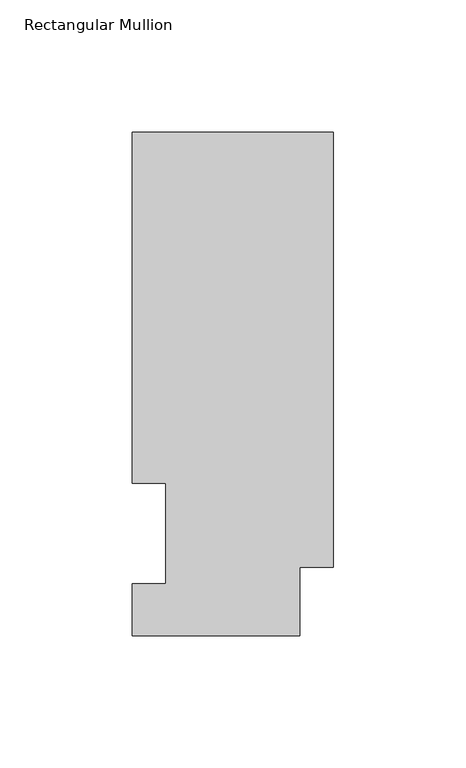
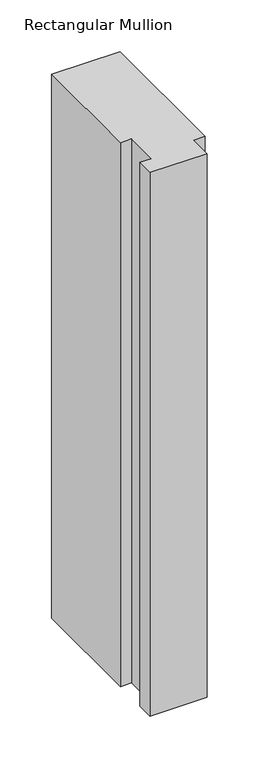
"""IFC4 building model written with IfcOpenShell, lengths in millimetres: member geometry, Rectangular Mullion."""

import ifcopenshell
import ifcopenshell.guid

model = None  # the IFC model being written
_history = None  # IfcOwnerHistory: only IFC2X3 demands one
_inside = {}  # id of a spatial element -> (the spatial element, [elements in it])
_under = {}  # id of a project, library or spatial element -> (it, [spatial elements below it])
_declared = {}  # id of a project -> (the project, [libraries it declares])
_typed = {}  # id of a type object -> (the type object, [elements of that type])
_made_of = {}  # id of a material, layer set ... -> (it, [elements and type objects made of it])


def new_model(schema):
    """Start an empty IFC model of exactly this schema.

    Asked for "IFC4X3", IfcOpenShell would pick the latest addendum, in which some entities
    have other attributes; the version numbers below select the first issue.
    IFC2X3 requires an IfcOwnerHistory on every rooted entity: one is made here for all.
    """
    global model, _history
    if schema == "IFC4X3":
        model = ifcopenshell.file(schema_version=(4, 3, 0, 0))
    else:
        model = ifcopenshell.file(schema=schema)
    _inside.clear()
    _under.clear()
    _declared.clear()
    _typed.clear()
    _made_of.clear()
    _history = None
    if model.schema == "IFC2X3":
        org = make("IfcOrganization", Name="unknown")
        user = make(
            "IfcPersonAndOrganization",
            ThePerson=make("IfcPerson", FamilyName="unknown"),
            TheOrganization=org,
        )
        app = make(
            "IfcApplication",
            ApplicationDeveloper=org,
            Version="unknown",
            ApplicationFullName="unknown",
            ApplicationIdentifier="unknown",
        )
        _history = make(
            "IfcOwnerHistory",
            OwningUser=user,
            OwningApplication=app,
            ChangeAction="ADDED",
            CreationDate=0,
        )
    return model


def make(cls, **values):
    """One entity of the class cls with the attributes given. An attribute that is None is left unset."""
    return model.create_entity(
        cls, **{name: value for name, value in values.items() if value is not None}
    )


def rooted(cls, **values):
    """An entity with a GlobalId (a new one), such as an element, a storey or a relation."""
    return make(cls, GlobalId=ifcopenshell.guid.new(), OwnerHistory=_history, **values)


def si_unit(unit_type, name, prefix=None):
    """IfcSIUnit, for example si_unit("LENGTHUNIT", "METRE", prefix="MILLI")."""
    return make("IfcSIUnit", UnitType=unit_type, Prefix=prefix, Name=name)


def assignment(units):
    """IfcUnitAssignment: the units of a project."""
    return None if units is None else make("IfcUnitAssignment", Units=units)


def point(xyz):
    """IfcCartesianPoint."""
    return None if xyz is None else make("IfcCartesianPoint", Coordinates=xyz)


def direction(xyz):
    """IfcDirection."""
    return None if xyz is None else make("IfcDirection", DirectionRatios=xyz)


def frame(location, z_axis=None, x_axis=None):
    """IfcAxis2Placement3D, a coordinate frame: its origin and axes. An axis left out is left unset."""
    return make(
        "IfcAxis2Placement3D",
        Location=point(location),
        Axis=direction(z_axis),
        RefDirection=direction(x_axis),
    )


def origin():
    """The frame at (0, 0, 0) with its axes left unset."""
    return frame((0.0, 0.0, 0.0))


def place(relative_to, where):
    """IfcLocalPlacement: puts the frame where relative to a parent placement (None: the world)."""
    return make(
        "IfcLocalPlacement", PlacementRelTo=relative_to, RelativePlacement=where
    )


def context(
    kind, dimensions, precision=None, world=None, true_north=None, identifier=None
):
    """IfcGeometricRepresentationContext, for example the 3D "Model" context."""
    return make(
        "IfcGeometricRepresentationContext",
        ContextIdentifier=identifier,
        ContextType=kind,
        CoordinateSpaceDimension=dimensions,
        Precision=precision,
        WorldCoordinateSystem=world,
        TrueNorth=true_north,
    )


def project(units=None, contexts=None):
    """IfcProject with its units and contexts."""
    return rooted(
        "IfcProject",
        Name="project",
        RepresentationContexts=contexts,
        UnitsInContext=assignment(units),
    )


def spatial(cls, under=None, at=None, **own):
    """A site, building, storey or space (cls), placed at a placement, below another one or the project."""
    s = rooted(cls, ObjectPlacement=at, **own)
    if under is not None:
        _under.setdefault(under.id(), (under, []))[1].append(s)
    return s


def polyline(points):
    """IfcPolyline through the points."""
    return make("IfcPolyline", Points=[point(p) for p in points])


def outline(outer, holes=None, kind="AREA"):
    """IfcArbitraryClosedProfileDef: a profile drawn as a closed curve; with holes, ...WithVoids."""
    if holes is None:
        return make("IfcArbitraryClosedProfileDef", ProfileType=kind, OuterCurve=outer)
    return make(
        "IfcArbitraryProfileDefWithVoids",
        ProfileType=kind,
        OuterCurve=outer,
        InnerCurves=holes,
    )


def extrude(swept, where, along, depth):
    """IfcExtrudedAreaSolid: the profile swept, set in the frame where, extruded along a direction by depth."""
    return make(
        "IfcExtrudedAreaSolid",
        SweptArea=swept,
        Position=where,
        ExtrudedDirection=direction(along),
        Depth=depth,
    )


def shape(context_of_items, identifier, shape_type, items):
    """IfcShapeRepresentation: the items that make up one representation, for example the "Body"."""
    return make(
        "IfcShapeRepresentation",
        ContextOfItems=context_of_items,
        RepresentationIdentifier=identifier,
        RepresentationType=shape_type,
        Items=items,
    )


def source(mapping_origin, context_of_items, identifier, shape_type, items):
    """IfcRepresentationMap: a shape defined once, which mapped items show again and again."""
    return make(
        "IfcRepresentationMap",
        MappingOrigin=mapping_origin,
        MappedRepresentation=shape(context_of_items, identifier, shape_type, items),
    )


def transform(
    local_origin,
    x_axis=None,
    y_axis=None,
    z_axis=None,
    scale=None,
    scale2=None,
    scale3=None,
    uniform=True,
):
    """IfcCartesianTransformationOperator3D, or its non-uniform kind. x_axis, y_axis, z_axis: its Axis1, 2, 3."""
    if uniform:
        return make(
            "IfcCartesianTransformationOperator3D",
            Axis1=direction(x_axis),
            Axis2=direction(y_axis),
            LocalOrigin=point(local_origin),
            Scale=scale,
            Axis3=direction(z_axis),
        )
    return make(
        "IfcCartesianTransformationOperator3DnonUniform",
        Axis1=direction(x_axis),
        Axis2=direction(y_axis),
        LocalOrigin=point(local_origin),
        Scale=scale,
        Axis3=direction(z_axis),
        Scale2=scale2,
        Scale3=scale3,
    )


def mapped(mapping_source, mapping_target):
    """IfcMappedItem: shows the shape of a source again, moved by a transform."""
    return make(
        "IfcMappedItem", MappingSource=mapping_source, MappingTarget=mapping_target
    )


def made_of(thing, what):
    """Note that an element or type object is made of a material, layer set ...; save() writes the relation."""
    if what is not None:
        _made_of.setdefault(what.id(), (what, []))[1].append(thing)
    return thing


def element(
    cls,
    number,
    at=None,
    inside=None,
    cuts=None,
    type_object=None,
    material=None,
    context=None,
    identifier="Body",
    shape_type=None,
    held_by="IfcProductDefinitionShape",
    body=None,
    shapes=None,
    **own,
):
    """One element of the class cls, such as IfcWall. Its Tag is "e" and its number.

    at: its placement. inside: the storey or other place that contains it. cuts: it is an
    opening in that element (IfcRelVoidsElement). A single representation is given by context,
    identifier, shape_type and body (its items); several are given by shapes. held_by: the class
    of the entity that holds the representations. save() writes the other relations.
    """
    e = rooted(cls, Tag="e%d" % number, ObjectPlacement=at, **own)
    if body is not None:
        shapes = [shape(context, identifier, shape_type, body)]
    if shapes is not None:
        e.Representation = make(held_by, Representations=shapes)
    if inside is not None:
        _inside.setdefault(inside.id(), (inside, []))[1].append(e)
    if cuts is not None:
        rooted(
            "IfcRelVoidsElement", RelatingBuildingElement=cuts, RelatedOpeningElement=e
        )
    if type_object is not None:
        _typed.setdefault(type_object.id(), (type_object, []))[1].append(e)
    return made_of(e, material)


def aggregate(whole, parts):
    """IfcRelAggregates: a whole, such as a stair, and the parts it consists of."""
    return rooted("IfcRelAggregates", RelatingObject=whole, RelatedObjects=parts)


def save(model, path):
    """Write the relations noted so far, then the file.

    IfcRelAggregates (storeys below a building ...), IfcRelContainedInSpatialStructure (elements
    in a storey), IfcRelDefinesByType, IfcRelAssociatesMaterial and IfcRelDeclares: one each for
    every whole, place, type object, material and project.
    """
    for whole, parts in _under.values():
        aggregate(whole, parts)
    for where, things in _inside.values():
        rooted(
            "IfcRelContainedInSpatialStructure",
            RelatedElements=things,
            RelatingStructure=where,
        )
    for kind, things in _typed.values():
        rooted("IfcRelDefinesByType", RelatedObjects=things, RelatingType=kind)
    for what, things in _made_of.values():
        rooted("IfcRelAssociatesMaterial", RelatedObjects=things, RelatingMaterial=what)
    for by, libraries in _declared.values():
        rooted("IfcRelDeclares", RelatingContext=by, RelatedDefinitions=libraries)
    model.write(path)


def rectangular_mullion_a7d3e347(model_context):
    return source(origin(), model_context, "Body", "SweptSolid", [
        extrude(outline(polyline([(0.0, 190.5896937), (0.0, 25.8960937), (-12.7, 25.8960937), (-12.7, 0.0134937), (-76.2, 0.0134937), (-76.2, 19.5460937), (-63.5127, 19.5460937), (-63.5127, 57.6460937), (-76.2, 57.6460937), (-76.2, 190.5896937), (0.0, 190.5896937)])), frame((0.0, 0.0, -641.3500005), z_axis=(0.0, 0.0, 1.0), x_axis=(1.0, 0.0, 0.0)), (0.0, 0.0, 1.0), 641.3500005),
    ])


if __name__ == "__main__":
    model = new_model("IFC4")
    model_context = context("Model", 3, world=origin())
    ifc_project = project(units=[si_unit("LENGTHUNIT", "METRE", prefix="MILLI")], contexts=[model_context])
    site = spatial("IfcSite", under=ifc_project)
    building = spatial("IfcBuilding", under=site)
    placement = place(None, origin())
    rectangular_mullion_shape = rectangular_mullion_a7d3e347(model_context)
    element("IfcMember", 1, ObjectType="Rectangular Mullion", at=placement, inside=building, context=model_context, shape_type="MappedRepresentation", body=[
        mapped(rectangular_mullion_shape, transform((0.0, 0.0, 0.0), x_axis=(1.0, 0.0, 0.0), y_axis=(0.0, 1.0, 0.0), z_axis=(0.0, 0.0, 1.0))),
    ])
    save(model, "model.ifc")
